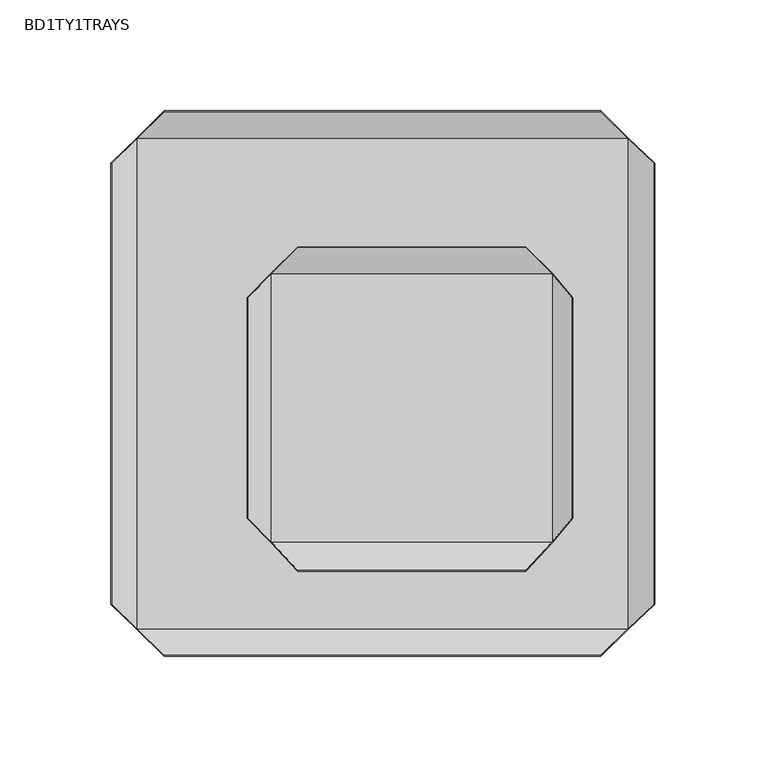
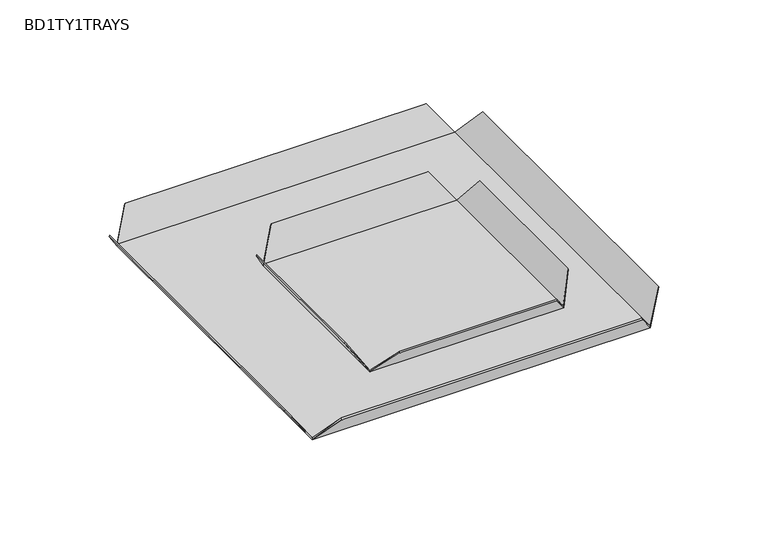
"""IFC4 building model written with IfcOpenShell, lengths in millimetres: furniture geometry, BD1TY1TRAYS."""

from ifc_helpers import new_model, si_unit, origin, place, context, project, spatial, triangles, source, transform, mapped, element, save


def bd1ty1trays_918f75a4(model_context):
    return source(origin(), model_context, "Body", "Tessellation", [
        triangles([(-13.839041, -109.17316, 20.0738769), (88.8962454, -109.1731509, 20.0738769), (88.8962454, -108.8059404, 20.7726806), (-13.839041, -108.8059585, 20.7726806), (100.9780933, -96.0817625, 3.010381), (100.8478596, -95.9604944, 4.1133436), (100.8478324, 24.8537609, 4.1133436), (-25.7906973, 24.8537382, 4.1133436), (-25.79067, -95.9605308, 4.1133436), (88.8962181, 36.6268909, 20.7726806), (-13.8390706, 36.6268682, 20.7726806), (109.6668253, -85.3370422, 20.7726806), (109.6667981, 14.2303133, 20.7726806), (-36.0936976, 14.2302826, 20.7726806), (-36.0936749, -85.3370695, 20.7726806), (-25.9209469, -96.0817988, 3.0104341), (-25.920177, 24.9732054, 3.0083786), (100.9772758, 24.9732168, 3.0083275), (-13.8390706, 36.9881606, 20.052412), (88.8962181, 36.9881833, 20.052412), (110.0327368, 14.2303133, 20.0691829), (110.0327732, -85.3370422, 20.0691829), (-36.4597704, -85.3370695, 20.0696689), (-36.4597931, 14.2302826, 20.0696689)], [[1, 2, 3], [3, 4, 1], [2, 5, 6], [6, 3, 2], [7, 8, 9], [9, 6, 7], [10, 11, 8], [8, 7, 10], [12, 13, 7], [7, 6, 12], [14, 15, 9], [9, 8, 14], [4, 3, 6], [6, 9, 4], [16, 17, 18], [18, 5, 16], [17, 19, 20], [20, 18, 17], [18, 21, 22], [22, 5, 18], [16, 23, 24], [24, 17, 16], [5, 2, 1], [1, 16, 5], [18, 20, 10], [10, 7, 18], [20, 19, 11], [11, 10, 20], [19, 17, 8], [8, 11, 19], [5, 22, 12], [12, 6, 5], [22, 21, 13], [13, 12, 22], [21, 18, 7], [7, 13, 21], [17, 24, 14], [14, 8, 17], [24, 23, 15], [15, 14, 24], [23, 16, 9], [9, 15, 23], [16, 1, 4], [4, 9, 16]]),
        triangles([(-74.056835, -147.6202863, 18.1839964), (122.7465048, -147.62025, 18.1839964), (122.7465048, -147.0045172, 18.8828023), (-74.056835, -147.0045626, 18.8828023), (135.0197654, -135.2772261, 1.1205031), (134.8014012, -135.0739046, 2.2234666), (134.8013558, 85.8392554, 2.2234666), (-86.111786, 85.83921, 2.2234666), (-86.1117406, -135.0739409, 2.2234666), (122.7464503, 97.7256756, 18.8828023), (-74.056885, 97.7256392, 18.8828023), (146.4941377, -124.0196193, 18.8828023), (146.4940923, 74.7849792, 18.8828023), (-97.3263994, 74.7849292, 18.8828023), (-97.3263631, -124.0196647, 18.8828023), (-86.3301865, -135.2772988, 1.1205562), (-86.3288966, 86.0395429, 1.1185017), (135.0183938, 86.0395611, 1.1184495), (-74.056885, 98.3314253, 18.162536), (122.7464503, 98.3314707, 18.162536), (147.1076904, 74.7849792, 18.1793046), (147.1077358, -124.0196193, 18.1793046), (-97.9402155, -124.0196647, 18.1797929), (-97.9402519, 74.7849292, 18.1797929)], [[1, 2, 3], [3, 4, 1], [2, 5, 6], [6, 3, 2], [7, 8, 9], [9, 6, 7], [10, 11, 8], [8, 7, 10], [12, 13, 7], [7, 6, 12], [14, 15, 9], [9, 8, 14], [4, 3, 6], [6, 9, 4], [16, 17, 18], [18, 5, 16], [17, 19, 20], [20, 18, 17], [18, 21, 22], [22, 5, 18], [16, 23, 24], [24, 17, 16], [5, 2, 1], [1, 16, 5], [18, 20, 10], [10, 7, 18], [20, 19, 11], [11, 10, 20], [19, 17, 8], [8, 11, 19], [5, 22, 12], [12, 6, 5], [22, 21, 13], [13, 12, 22], [21, 18, 7], [7, 13, 21], [17, 24, 14], [14, 8, 17], [24, 23, 15], [15, 14, 24], [23, 16, 9], [9, 15, 23], [16, 1, 4], [4, 9, 16]]),
    ])


if __name__ == "__main__":
    model = new_model("IFC4")
    model_context = context("Model", 3, world=origin())
    ifc_project = project(units=[si_unit("LENGTHUNIT", "METRE", prefix="MILLI")], contexts=[model_context])
    site = spatial("IfcSite", under=ifc_project)
    building = spatial("IfcBuilding", under=site)
    placement = place(None, origin())
    bd1ty1trays_shape = bd1ty1trays_918f75a4(model_context)
    element("IfcFurniture", 1, ObjectType="BD1TY1TRAYS", at=placement, inside=building, context=model_context, shape_type="MappedRepresentation", body=[
        mapped(bd1ty1trays_shape, transform((0.0, 0.0, 0.0), x_axis=(1.0, 0.0, 0.0), y_axis=(0.0, 1.0, 0.0), z_axis=(0.0, 0.0, 1.0))),
    ])
    save(model, "model.ifc")
